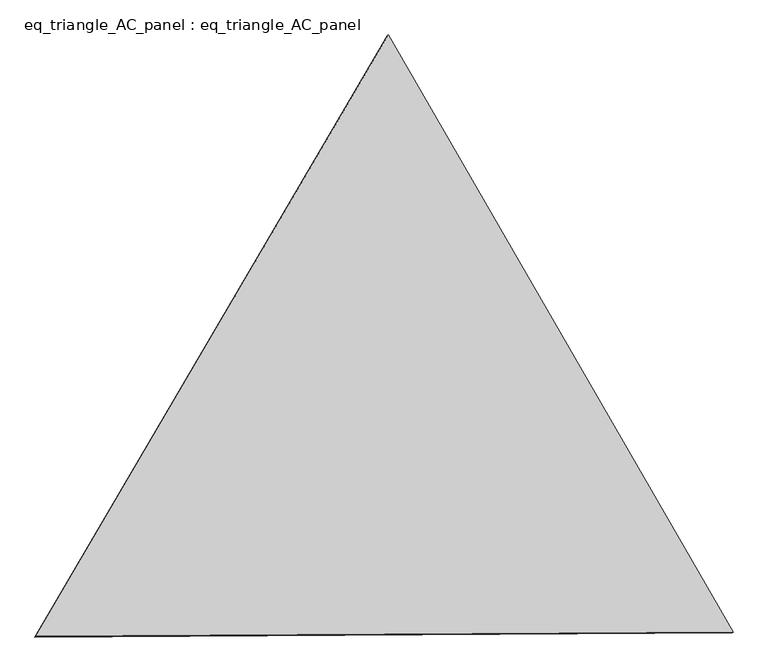
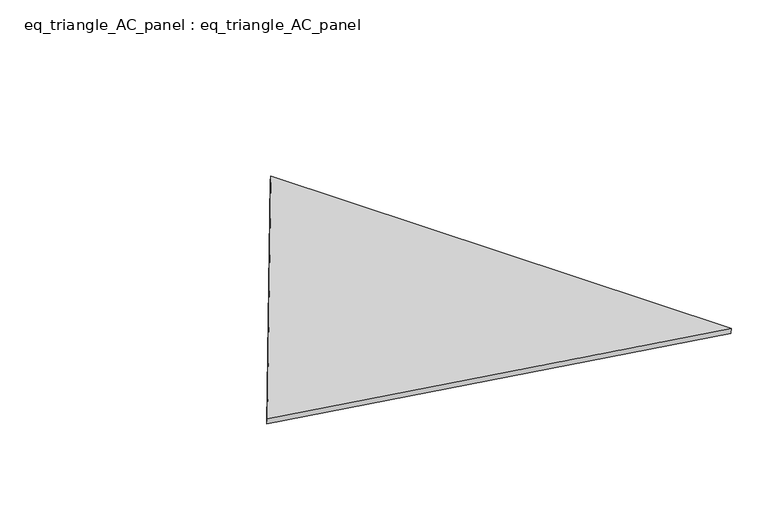
"""IFC4 building model written with IfcOpenShell, lengths in millimetres: proxy geometry, eq_triangle_AC_panel : eq_triangle_AC_panel."""

from ifc_helpers import new_model, si_unit, frame, origin, place, context, project, spatial, polyline, outline, extrude, source, transform, mapped, element, save


def eq_triangle_ac_panel_eq_triangle_ac_panel_fcc7383e(model_context):
    return source(origin(), model_context, "Body", "SweptSolid", [
        extrude(outline(polyline([(-2017.7410617, 1198.9367817), (2017.7410616, 1198.9367817), (-1e-07, -2397.8735635), (-2017.7410617, 1198.9367817)])), frame((0.0038051, 527.9290861, 89.8240019), z_axis=(0.1452632851805816, 0.08386570281802183, 0.9858321976225894), x_axis=(0.5000027697419072, -0.8660238046640171, -2.383668153642324e-06)), (0.0, 0.0, 1.0), 43.8306294),
    ])


if __name__ == "__main__":
    model = new_model("IFC4")
    model_context = context("Model", 3, world=origin())
    ifc_project = project(units=[si_unit("LENGTHUNIT", "METRE", prefix="MILLI")], contexts=[model_context])
    site = spatial("IfcSite", under=ifc_project)
    building = spatial("IfcBuilding", under=site)
    placement = place(None, origin())
    eq_triangle_ac_panel_eq_triangle_ac_panel_shape = eq_triangle_ac_panel_eq_triangle_ac_panel_fcc7383e(model_context)
    element("IfcBuildingElementProxy", 1, Name="eq_triangle_AC_panel : eq_triangle_AC_panel", ObjectType="eq_triangle_AC_panel : eq_triangle_AC_panel", at=placement, inside=building, context=model_context, shape_type="MappedRepresentation", body=[
        mapped(eq_triangle_ac_panel_eq_triangle_ac_panel_shape, transform((0.0, 0.0, 0.0), x_axis=(1.0, 0.0, 0.0), y_axis=(0.0, 1.0, 0.0), z_axis=(0.0, 0.0, 1.0))),
    ])
    save(model, "model.ifc")
